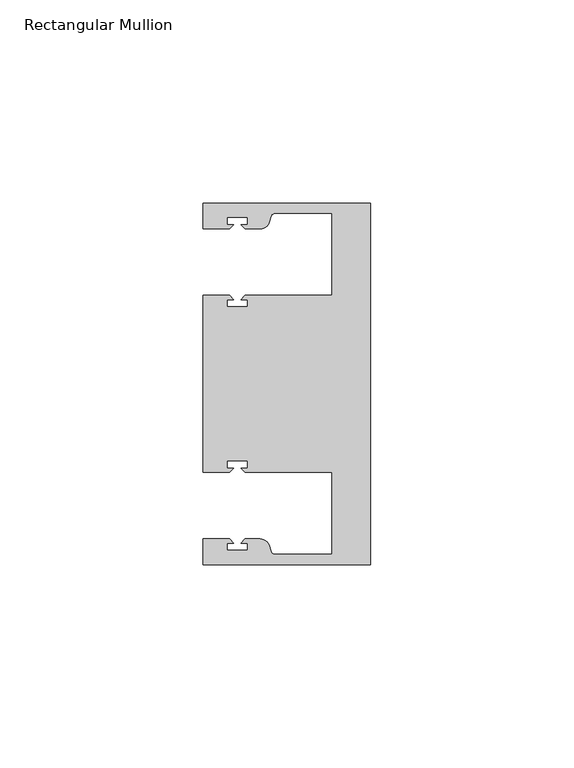
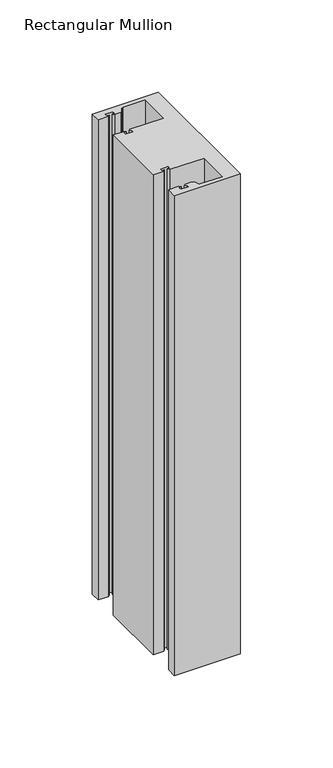
"""IFC4 building model written with IfcOpenShell, lengths in millimetres: member geometry, Rectangular Mullion."""

from ifc_helpers import new_model, si_unit, point, frame, frame_2d, origin, place, context, project, spatial, polyline, circle_curve, trimmed, segment, composite_curve, outline, extrude, source, transform, mapped, element, save


def rectangular_mullion_d9b3158c(model_context):
    return source(origin(), model_context, "Body", "SweptSolid", [
        extrude(outline(composite_curve([segment(polyline([(0.0, -44.45), (-41.2749977, -44.45), (-41.2749977, -38.1499897), (-34.8007531, -38.1499897), (-33.8007405, -39.1500023), (-35.3749778, -39.1500023), (-35.3749778, -40.9498819), (-30.3749831, -40.9498819), (-30.3749831, -39.1500023), (-31.949256, -39.1500023), (-30.9492503, -38.1499966), (-27.2637853, -38.1499966)]), True, "CONTINUOUS"), segment(trimmed(circle_curve(frame_2d((-27.2637853, -40.6499966)), 2.5), [point((-27.2637853, -38.1499966))], [point((-24.8489707, -40.002949))], False, "CARTESIAN"), True, "CONTINUOUS"), segment(polyline([(-24.8489707, -40.002949), (-24.5258588, -41.2088192)]), True, "CONTINUOUS"), segment(trimmed(circle_curve(frame_2d((-23.5599329, -40.9500001)), 1.0), [point((-24.5258588, -41.2088192))], [point((-23.5599329, -41.9500001))], True, "CARTESIAN"), True, "CONTINUOUS"), segment(polyline([(-23.5599329, -41.9500001), (-9.525, -41.95), (-9.525, -21.7499959), (-30.9492434, -21.7499959), (-31.949256, -20.7499834), (-30.3750186, -20.7499834), (-30.3750186, -18.949936), (-35.3750134, -18.949936), (-35.3750134, -20.7499834), (-33.8007405, -20.7499834), (-34.8007562, -21.749999), (-41.275, -21.749999), (-41.275, 21.749999), (-34.8007562, 21.749999), (-33.8007405, 20.7499834), (-35.3750134, 20.7499834), (-35.3750134, 18.949936), (-30.3750186, 18.949936), (-30.3750186, 20.7499834), (-31.949256, 20.7499834), (-30.9492434, 21.7499959), (-9.525, 21.7499959), (-9.525, 41.95), (-23.5599329, 41.95)]), True, "CONTINUOUS"), segment(trimmed(circle_curve(frame_2d((-23.5599329, 40.9500001)), 1.0), [point((-23.5599329, 41.95))], [point((-24.5258588, 41.2088192))], True, "CARTESIAN"), True, "CONTINUOUS"), segment(polyline([(-24.5258588, 41.2088192), (-24.8489707, 40.002949)]), True, "CONTINUOUS"), segment(trimmed(circle_curve(frame_2d((-27.2637853, 40.6499966)), 2.5), [point((-24.8489707, 40.002949))], [point((-27.2637853, 38.1499966))], False, "CARTESIAN"), True, "CONTINUOUS"), segment(polyline([(-27.2637853, 38.1499966), (-30.9492503, 38.1499966), (-31.949256, 39.1500023), (-30.3749831, 39.1500023), (-30.3749831, 40.9498819), (-35.3749778, 40.9498819), (-35.3749778, 39.1500023), (-33.8007405, 39.1500023), (-34.8007531, 38.1499897), (-41.275, 38.1499897), (-41.275, 44.45), (0.0, 44.45), (0.0, -44.45)]), True, "CONTINUOUS")], self_intersect=False)), frame((0.0, 0.0, -317.5), z_axis=(0.0, 0.0, 1.0), x_axis=(1.0, 0.0, 0.0)), (0.0, 0.0, 1.0), 317.5),
    ])


if __name__ == "__main__":
    model = new_model("IFC4")
    model_context = context("Model", 3, world=origin())
    ifc_project = project(units=[si_unit("LENGTHUNIT", "METRE", prefix="MILLI")], contexts=[model_context])
    site = spatial("IfcSite", under=ifc_project)
    building = spatial("IfcBuilding", under=site)
    placement = place(None, origin())
    rectangular_mullion_shape = rectangular_mullion_d9b3158c(model_context)
    element("IfcMember", 1, ObjectType="Rectangular Mullion", at=placement, inside=building, context=model_context, shape_type="MappedRepresentation", body=[
        mapped(rectangular_mullion_shape, transform((0.0, 0.0, 0.0), x_axis=(1.0, 0.0, 0.0), y_axis=(0.0, 1.0, 0.0), z_axis=(0.0, 0.0, 1.0))),
    ])
    save(model, "model.ifc")
